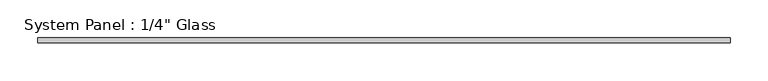
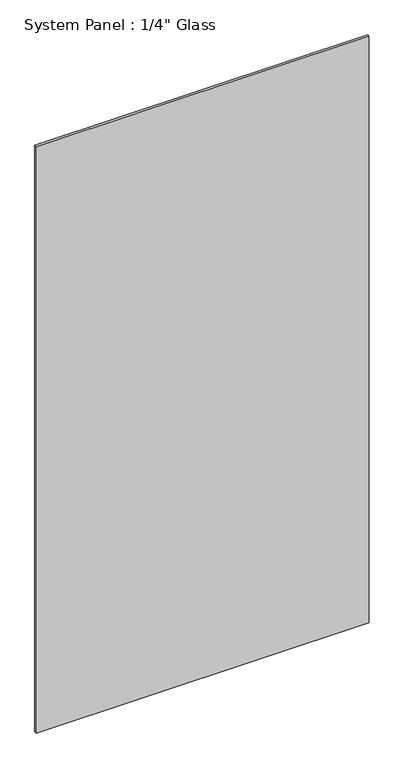
"""IFC4 building model written with IfcOpenShell, lengths in millimetres: plate geometry."""

import ifcopenshell
import ifcopenshell.guid

model = None  # the IFC model being written
_history = None  # IfcOwnerHistory: only IFC2X3 demands one
_inside = {}  # id of a spatial element -> (the spatial element, [elements in it])
_under = {}  # id of a project, library or spatial element -> (it, [spatial elements below it])
_declared = {}  # id of a project -> (the project, [libraries it declares])
_typed = {}  # id of a type object -> (the type object, [elements of that type])
_made_of = {}  # id of a material, layer set ... -> (it, [elements and type objects made of it])


def new_model(schema):
    """Start an empty IFC model of exactly this schema.

    Asked for "IFC4X3", IfcOpenShell would pick the latest addendum, in which some entities
    have other attributes; the version numbers below select the first issue.
    IFC2X3 requires an IfcOwnerHistory on every rooted entity: one is made here for all.
    """
    global model, _history
    if schema == "IFC4X3":
        model = ifcopenshell.file(schema_version=(4, 3, 0, 0))
    else:
        model = ifcopenshell.file(schema=schema)
    _inside.clear()
    _under.clear()
    _declared.clear()
    _typed.clear()
    _made_of.clear()
    _history = None
    if model.schema == "IFC2X3":
        org = make("IfcOrganization", Name="unknown")
        user = make(
            "IfcPersonAndOrganization",
            ThePerson=make("IfcPerson", FamilyName="unknown"),
            TheOrganization=org,
        )
        app = make(
            "IfcApplication",
            ApplicationDeveloper=org,
            Version="unknown",
            ApplicationFullName="unknown",
            ApplicationIdentifier="unknown",
        )
        _history = make(
            "IfcOwnerHistory",
            OwningUser=user,
            OwningApplication=app,
            ChangeAction="ADDED",
            CreationDate=0,
        )
    return model


def make(cls, **values):
    """One entity of the class cls with the attributes given. An attribute that is None is left unset."""
    return model.create_entity(
        cls, **{name: value for name, value in values.items() if value is not None}
    )


def rooted(cls, **values):
    """An entity with a GlobalId (a new one), such as an element, a storey or a relation."""
    return make(cls, GlobalId=ifcopenshell.guid.new(), OwnerHistory=_history, **values)


def si_unit(unit_type, name, prefix=None):
    """IfcSIUnit, for example si_unit("LENGTHUNIT", "METRE", prefix="MILLI")."""
    return make("IfcSIUnit", UnitType=unit_type, Prefix=prefix, Name=name)


def assignment(units):
    """IfcUnitAssignment: the units of a project."""
    return None if units is None else make("IfcUnitAssignment", Units=units)


def point(xyz):
    """IfcCartesianPoint."""
    return None if xyz is None else make("IfcCartesianPoint", Coordinates=xyz)


def direction(xyz):
    """IfcDirection."""
    return None if xyz is None else make("IfcDirection", DirectionRatios=xyz)


def frame(location, z_axis=None, x_axis=None):
    """IfcAxis2Placement3D, a coordinate frame: its origin and axes. An axis left out is left unset."""
    return make(
        "IfcAxis2Placement3D",
        Location=point(location),
        Axis=direction(z_axis),
        RefDirection=direction(x_axis),
    )


def origin():
    """The frame at (0, 0, 0) with its axes left unset."""
    return frame((0.0, 0.0, 0.0))


def origin_with_axes():
    """The frame at (0, 0, 0) with the z axis (0, 0, 1) and the x axis (1, 0, 0) written out."""
    return frame((0.0, 0.0, 0.0), z_axis=(0.0, 0.0, 1.0), x_axis=(1.0, 0.0, 0.0))


def place(relative_to, where):
    """IfcLocalPlacement: puts the frame where relative to a parent placement (None: the world)."""
    return make(
        "IfcLocalPlacement", PlacementRelTo=relative_to, RelativePlacement=where
    )


def context(
    kind, dimensions, precision=None, world=None, true_north=None, identifier=None
):
    """IfcGeometricRepresentationContext, for example the 3D "Model" context."""
    return make(
        "IfcGeometricRepresentationContext",
        ContextIdentifier=identifier,
        ContextType=kind,
        CoordinateSpaceDimension=dimensions,
        Precision=precision,
        WorldCoordinateSystem=world,
        TrueNorth=true_north,
    )


def project(units=None, contexts=None):
    """IfcProject with its units and contexts."""
    return rooted(
        "IfcProject",
        Name="project",
        RepresentationContexts=contexts,
        UnitsInContext=assignment(units),
    )


def spatial(cls, under=None, at=None, **own):
    """A site, building, storey or space (cls), placed at a placement, below another one or the project."""
    s = rooted(cls, ObjectPlacement=at, **own)
    if under is not None:
        _under.setdefault(under.id(), (under, []))[1].append(s)
    return s


def polyline(points):
    """IfcPolyline through the points."""
    return make("IfcPolyline", Points=[point(p) for p in points])


def outline(outer, holes=None, kind="AREA"):
    """IfcArbitraryClosedProfileDef: a profile drawn as a closed curve; with holes, ...WithVoids."""
    if holes is None:
        return make("IfcArbitraryClosedProfileDef", ProfileType=kind, OuterCurve=outer)
    return make(
        "IfcArbitraryProfileDefWithVoids",
        ProfileType=kind,
        OuterCurve=outer,
        InnerCurves=holes,
    )


def extrude(swept, where, along, depth):
    """IfcExtrudedAreaSolid: the profile swept, set in the frame where, extruded along a direction by depth."""
    return make(
        "IfcExtrudedAreaSolid",
        SweptArea=swept,
        Position=where,
        ExtrudedDirection=direction(along),
        Depth=depth,
    )


def shape(context_of_items, identifier, shape_type, items):
    """IfcShapeRepresentation: the items that make up one representation, for example the "Body"."""
    return make(
        "IfcShapeRepresentation",
        ContextOfItems=context_of_items,
        RepresentationIdentifier=identifier,
        RepresentationType=shape_type,
        Items=items,
    )


def source(mapping_origin, context_of_items, identifier, shape_type, items):
    """IfcRepresentationMap: a shape defined once, which mapped items show again and again."""
    return make(
        "IfcRepresentationMap",
        MappingOrigin=mapping_origin,
        MappedRepresentation=shape(context_of_items, identifier, shape_type, items),
    )


def transform(
    local_origin,
    x_axis=None,
    y_axis=None,
    z_axis=None,
    scale=None,
    scale2=None,
    scale3=None,
    uniform=True,
):
    """IfcCartesianTransformationOperator3D, or its non-uniform kind. x_axis, y_axis, z_axis: its Axis1, 2, 3."""
    if uniform:
        return make(
            "IfcCartesianTransformationOperator3D",
            Axis1=direction(x_axis),
            Axis2=direction(y_axis),
            LocalOrigin=point(local_origin),
            Scale=scale,
            Axis3=direction(z_axis),
        )
    return make(
        "IfcCartesianTransformationOperator3DnonUniform",
        Axis1=direction(x_axis),
        Axis2=direction(y_axis),
        LocalOrigin=point(local_origin),
        Scale=scale,
        Axis3=direction(z_axis),
        Scale2=scale2,
        Scale3=scale3,
    )


def mapped(mapping_source, mapping_target):
    """IfcMappedItem: shows the shape of a source again, moved by a transform."""
    return make(
        "IfcMappedItem", MappingSource=mapping_source, MappingTarget=mapping_target
    )


def made_of(thing, what):
    """Note that an element or type object is made of a material, layer set ...; save() writes the relation."""
    if what is not None:
        _made_of.setdefault(what.id(), (what, []))[1].append(thing)
    return thing


def element(
    cls,
    number,
    at=None,
    inside=None,
    cuts=None,
    type_object=None,
    material=None,
    context=None,
    identifier="Body",
    shape_type=None,
    held_by="IfcProductDefinitionShape",
    body=None,
    shapes=None,
    **own,
):
    """One element of the class cls, such as IfcWall. Its Tag is "e" and its number.

    at: its placement. inside: the storey or other place that contains it. cuts: it is an
    opening in that element (IfcRelVoidsElement). A single representation is given by context,
    identifier, shape_type and body (its items); several are given by shapes. held_by: the class
    of the entity that holds the representations. save() writes the other relations.
    """
    e = rooted(cls, Tag="e%d" % number, ObjectPlacement=at, **own)
    if body is not None:
        shapes = [shape(context, identifier, shape_type, body)]
    if shapes is not None:
        e.Representation = make(held_by, Representations=shapes)
    if inside is not None:
        _inside.setdefault(inside.id(), (inside, []))[1].append(e)
    if cuts is not None:
        rooted(
            "IfcRelVoidsElement", RelatingBuildingElement=cuts, RelatedOpeningElement=e
        )
    if type_object is not None:
        _typed.setdefault(type_object.id(), (type_object, []))[1].append(e)
    return made_of(e, material)


def aggregate(whole, parts):
    """IfcRelAggregates: a whole, such as a stair, and the parts it consists of."""
    return rooted("IfcRelAggregates", RelatingObject=whole, RelatedObjects=parts)


def save(model, path):
    """Write the relations noted so far, then the file.

    IfcRelAggregates (storeys below a building ...), IfcRelContainedInSpatialStructure (elements
    in a storey), IfcRelDefinesByType, IfcRelAssociatesMaterial and IfcRelDeclares: one each for
    every whole, place, type object, material and project.
    """
    for whole, parts in _under.values():
        aggregate(whole, parts)
    for where, things in _inside.values():
        rooted(
            "IfcRelContainedInSpatialStructure",
            RelatedElements=things,
            RelatingStructure=where,
        )
    for kind, things in _typed.values():
        rooted("IfcRelDefinesByType", RelatedObjects=things, RelatingType=kind)
    for what, things in _made_of.values():
        rooted("IfcRelAssociatesMaterial", RelatedObjects=things, RelatingMaterial=what)
    for by, libraries in _declared.values():
        rooted("IfcRelDeclares", RelatingContext=by, RelatedDefinitions=libraries)
    model.write(path)


def plate_83f6187e(model_context):
    return source(origin(), model_context, "Body", "SweptSolid", [
        extrude(outline(polyline([(455.6125, -3.175), (-455.6125, -3.175), (-455.6125, 3.175), (455.6125, 3.175), (455.6125, -3.175)])), origin_with_axes(), (0.0, 0.0, 1.0), 1695.45),
    ])


if __name__ == "__main__":
    model = new_model("IFC4")
    model_context = context("Model", 3, world=origin())
    ifc_project = project(units=[si_unit("LENGTHUNIT", "METRE", prefix="MILLI")], contexts=[model_context])
    site = spatial("IfcSite", under=ifc_project)
    building = spatial("IfcBuilding", under=site)
    placement = place(None, origin())
    plate_shape = plate_83f6187e(model_context)
    element("IfcPlate", 1, ObjectType="System Panel : 1/4\" Glass", at=placement, inside=building, context=model_context, shape_type="MappedRepresentation", body=[
        mapped(plate_shape, transform((0.0, 0.0, 0.0), x_axis=(1.0, 0.0, 0.0), y_axis=(0.0, 1.0, 0.0), z_axis=(0.0, 0.0, 1.0))),
    ])
    save(model, "model.ifc")
